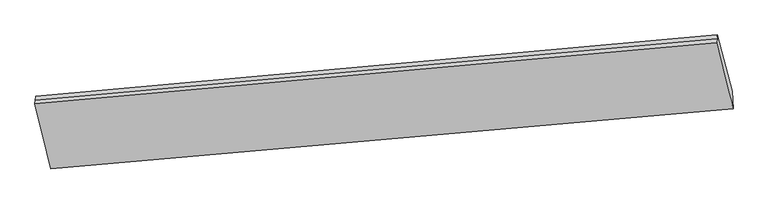
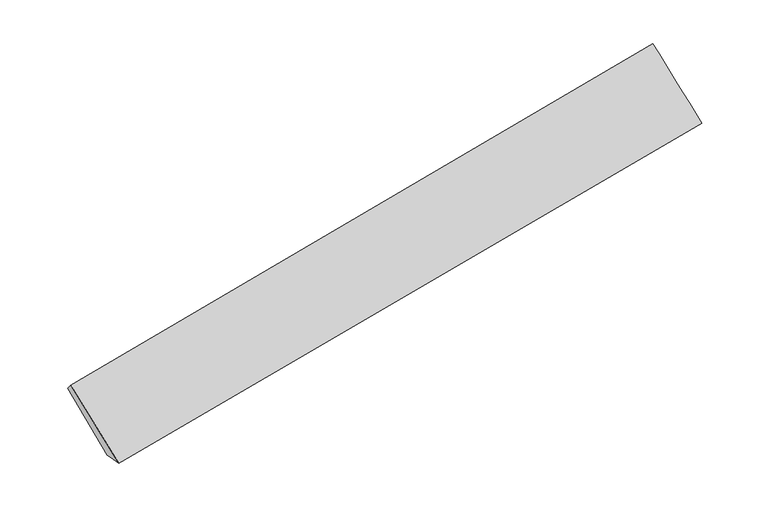
"""IFC4 building model written with IfcOpenShell, lengths in millimetres: proxy geometry."""

import ifcopenshell
import ifcopenshell.guid

model = None  # the IFC model being written
_history = None  # IfcOwnerHistory: only IFC2X3 demands one
_inside = {}  # id of a spatial element -> (the spatial element, [elements in it])
_under = {}  # id of a project, library or spatial element -> (it, [spatial elements below it])
_declared = {}  # id of a project -> (the project, [libraries it declares])
_typed = {}  # id of a type object -> (the type object, [elements of that type])
_made_of = {}  # id of a material, layer set ... -> (it, [elements and type objects made of it])


def new_model(schema):
    """Start an empty IFC model of exactly this schema.

    Asked for "IFC4X3", IfcOpenShell would pick the latest addendum, in which some entities
    have other attributes; the version numbers below select the first issue.
    IFC2X3 requires an IfcOwnerHistory on every rooted entity: one is made here for all.
    """
    global model, _history
    if schema == "IFC4X3":
        model = ifcopenshell.file(schema_version=(4, 3, 0, 0))
    else:
        model = ifcopenshell.file(schema=schema)
    _inside.clear()
    _under.clear()
    _declared.clear()
    _typed.clear()
    _made_of.clear()
    _history = None
    if model.schema == "IFC2X3":
        org = make("IfcOrganization", Name="unknown")
        user = make(
            "IfcPersonAndOrganization",
            ThePerson=make("IfcPerson", FamilyName="unknown"),
            TheOrganization=org,
        )
        app = make(
            "IfcApplication",
            ApplicationDeveloper=org,
            Version="unknown",
            ApplicationFullName="unknown",
            ApplicationIdentifier="unknown",
        )
        _history = make(
            "IfcOwnerHistory",
            OwningUser=user,
            OwningApplication=app,
            ChangeAction="ADDED",
            CreationDate=0,
        )
    return model


def make(cls, **values):
    """One entity of the class cls with the attributes given. An attribute that is None is left unset."""
    return model.create_entity(
        cls, **{name: value for name, value in values.items() if value is not None}
    )


def rooted(cls, **values):
    """An entity with a GlobalId (a new one), such as an element, a storey or a relation."""
    return make(cls, GlobalId=ifcopenshell.guid.new(), OwnerHistory=_history, **values)


def si_unit(unit_type, name, prefix=None):
    """IfcSIUnit, for example si_unit("LENGTHUNIT", "METRE", prefix="MILLI")."""
    return make("IfcSIUnit", UnitType=unit_type, Prefix=prefix, Name=name)


def assignment(units):
    """IfcUnitAssignment: the units of a project."""
    return None if units is None else make("IfcUnitAssignment", Units=units)


def point(xyz):
    """IfcCartesianPoint."""
    return None if xyz is None else make("IfcCartesianPoint", Coordinates=xyz)


def direction(xyz):
    """IfcDirection."""
    return None if xyz is None else make("IfcDirection", DirectionRatios=xyz)


def frame(location, z_axis=None, x_axis=None):
    """IfcAxis2Placement3D, a coordinate frame: its origin and axes. An axis left out is left unset."""
    return make(
        "IfcAxis2Placement3D",
        Location=point(location),
        Axis=direction(z_axis),
        RefDirection=direction(x_axis),
    )


def origin():
    """The frame at (0, 0, 0) with its axes left unset."""
    return frame((0.0, 0.0, 0.0))


def place(relative_to, where):
    """IfcLocalPlacement: puts the frame where relative to a parent placement (None: the world)."""
    return make(
        "IfcLocalPlacement", PlacementRelTo=relative_to, RelativePlacement=where
    )


def context(
    kind, dimensions, precision=None, world=None, true_north=None, identifier=None
):
    """IfcGeometricRepresentationContext, for example the 3D "Model" context."""
    return make(
        "IfcGeometricRepresentationContext",
        ContextIdentifier=identifier,
        ContextType=kind,
        CoordinateSpaceDimension=dimensions,
        Precision=precision,
        WorldCoordinateSystem=world,
        TrueNorth=true_north,
    )


def project(units=None, contexts=None):
    """IfcProject with its units and contexts."""
    return rooted(
        "IfcProject",
        Name="project",
        RepresentationContexts=contexts,
        UnitsInContext=assignment(units),
    )


def spatial(cls, under=None, at=None, **own):
    """A site, building, storey or space (cls), placed at a placement, below another one or the project."""
    s = rooted(cls, ObjectPlacement=at, **own)
    if under is not None:
        _under.setdefault(under.id(), (under, []))[1].append(s)
    return s


def shape(context_of_items, identifier, shape_type, items):
    """IfcShapeRepresentation: the items that make up one representation, for example the "Body"."""
    return make(
        "IfcShapeRepresentation",
        ContextOfItems=context_of_items,
        RepresentationIdentifier=identifier,
        RepresentationType=shape_type,
        Items=items,
    )


def source(mapping_origin, context_of_items, identifier, shape_type, items):
    """IfcRepresentationMap: a shape defined once, which mapped items show again and again."""
    return make(
        "IfcRepresentationMap",
        MappingOrigin=mapping_origin,
        MappedRepresentation=shape(context_of_items, identifier, shape_type, items),
    )


def transform(
    local_origin,
    x_axis=None,
    y_axis=None,
    z_axis=None,
    scale=None,
    scale2=None,
    scale3=None,
    uniform=True,
):
    """IfcCartesianTransformationOperator3D, or its non-uniform kind. x_axis, y_axis, z_axis: its Axis1, 2, 3."""
    if uniform:
        return make(
            "IfcCartesianTransformationOperator3D",
            Axis1=direction(x_axis),
            Axis2=direction(y_axis),
            LocalOrigin=point(local_origin),
            Scale=scale,
            Axis3=direction(z_axis),
        )
    return make(
        "IfcCartesianTransformationOperator3DnonUniform",
        Axis1=direction(x_axis),
        Axis2=direction(y_axis),
        LocalOrigin=point(local_origin),
        Scale=scale,
        Axis3=direction(z_axis),
        Scale2=scale2,
        Scale3=scale3,
    )


def mapped(mapping_source, mapping_target):
    """IfcMappedItem: shows the shape of a source again, moved by a transform."""
    return make(
        "IfcMappedItem", MappingSource=mapping_source, MappingTarget=mapping_target
    )


def made_of(thing, what):
    """Note that an element or type object is made of a material, layer set ...; save() writes the relation."""
    if what is not None:
        _made_of.setdefault(what.id(), (what, []))[1].append(thing)
    return thing


def element(
    cls,
    number,
    at=None,
    inside=None,
    cuts=None,
    type_object=None,
    material=None,
    context=None,
    identifier="Body",
    shape_type=None,
    held_by="IfcProductDefinitionShape",
    body=None,
    shapes=None,
    **own,
):
    """One element of the class cls, such as IfcWall. Its Tag is "e" and its number.

    at: its placement. inside: the storey or other place that contains it. cuts: it is an
    opening in that element (IfcRelVoidsElement). A single representation is given by context,
    identifier, shape_type and body (its items); several are given by shapes. held_by: the class
    of the entity that holds the representations. save() writes the other relations.
    """
    e = rooted(cls, Tag="e%d" % number, ObjectPlacement=at, **own)
    if body is not None:
        shapes = [shape(context, identifier, shape_type, body)]
    if shapes is not None:
        e.Representation = make(held_by, Representations=shapes)
    if inside is not None:
        _inside.setdefault(inside.id(), (inside, []))[1].append(e)
    if cuts is not None:
        rooted(
            "IfcRelVoidsElement", RelatingBuildingElement=cuts, RelatedOpeningElement=e
        )
    if type_object is not None:
        _typed.setdefault(type_object.id(), (type_object, []))[1].append(e)
    return made_of(e, material)


def aggregate(whole, parts):
    """IfcRelAggregates: a whole, such as a stair, and the parts it consists of."""
    return rooted("IfcRelAggregates", RelatingObject=whole, RelatedObjects=parts)


def save(model, path):
    """Write the relations noted so far, then the file.

    IfcRelAggregates (storeys below a building ...), IfcRelContainedInSpatialStructure (elements
    in a storey), IfcRelDefinesByType, IfcRelAssociatesMaterial and IfcRelDeclares: one each for
    every whole, place, type object, material and project.
    """
    for whole, parts in _under.values():
        aggregate(whole, parts)
    for where, things in _inside.values():
        rooted(
            "IfcRelContainedInSpatialStructure",
            RelatedElements=things,
            RelatingStructure=where,
        )
    for kind, things in _typed.values():
        rooted("IfcRelDefinesByType", RelatedObjects=things, RelatingType=kind)
    for what, things in _made_of.values():
        rooted("IfcRelAssociatesMaterial", RelatedObjects=things, RelatingMaterial=what)
    for by, libraries in _declared.values():
        rooted("IfcRelDeclares", RelatingContext=by, RelatedDefinitions=libraries)
    model.write(path)


def plane_surface(at):
    """IfcPlane: the flat surface through the origin of the frame at, square to its z axis."""
    return make("IfcPlane", Position=at)


def spline_surface(u_degree, v_degree, points, u_multiplicities, v_multiplicities, u_knots, v_knots, weights=None):
    """IfcBSplineSurfaceWithKnots; with weights, IfcRationalBSplineSurfaceWithKnots. points: one row for each step in u."""
    own = dict(
        UDegree=u_degree,
        VDegree=v_degree,
        ControlPointsList=[[point(p) for p in row] for row in points],
        SurfaceForm="UNSPECIFIED",
        UClosed=False,
        VClosed=False,
        SelfIntersect=False,
        UMultiplicities=u_multiplicities,
        VMultiplicities=v_multiplicities,
        UKnots=u_knots,
        VKnots=v_knots,
        KnotSpec="UNSPECIFIED",
    )
    if weights is None:
        return make("IfcBSplineSurfaceWithKnots", **own)
    return make("IfcRationalBSplineSurfaceWithKnots", WeightsData=weights, **own)


def advanced_brep(points, edges, surfaces, faces):
    """IfcAdvancedBrep: a solid bounded by faces that lie on surfaces and meet in shared edges.

    An edge is (start, end): straight between two places in points (the first is 0);
    or (start, end, curve); or (start, end, curve, False) where it runs against its curve.
    A face is (place in surfaces, loops), or (place, loops, False) where it looks against
    its surface's normal. A loop lists edges by number (the first is 1), with a minus sign
    where the edge is run from its end to its start. The first loop is the outer one.
    """
    corners = [point(p) for p in points]
    vertices = [make("IfcVertexPoint", VertexGeometry=c) for c in corners]
    made = []
    for start, end, *more in edges:
        made.append(
            make(
                "IfcEdgeCurve",
                EdgeStart=vertices[start],
                EdgeEnd=vertices[end],
                EdgeGeometry=more[0] if more else make("IfcPolyline", Points=[corners[start], corners[end]]),
                SameSense=more[1] if len(more) > 1 else True,
            )
        )
    hull = []
    for where, loops, *sense in faces:
        bounds = []
        for j, loop in enumerate(loops):
            ring = [make("IfcOrientedEdge", EdgeElement=made[abs(k) - 1], Orientation=k > 0) for k in loop]
            bounds.append(
                make(
                    "IfcFaceOuterBound" if j == 0 else "IfcFaceBound",
                    Bound=make("IfcEdgeLoop", EdgeList=ring),
                    Orientation=True,
                )
            )
        hull.append(make("IfcAdvancedFace", Bounds=bounds, FaceSurface=surfaces[where], SameSense=sense[0] if sense else True))
    return make("IfcAdvancedBrep", Outer=make("IfcClosedShell", CfsFaces=hull))


def generic_models_8e09ea45(model_context):
    return source(origin(), model_context, "Body", "AdvancedBrep", [
        advanced_brep(
        [(-8466.3159987, -2234.1427779, 504.7466101), (-8697.0605612, -1353.9977934, 1373.9689171), (2684.4364436, -327.6674434, 3451.1421138), (2929.0390248, -1270.8837633, 2565.2348139), (-8455.7683882, -2397.2281299, 522.8347435), (2937.0246521, -1413.9959909, 2590.2673576), (-8445.2207778, -2560.313482, 540.9228769), (2945.0102794, -1557.1082184, 2615.2999014), (-8710.9348271, -1479.7268245, 1510.316544), (2669.5975179, -462.1382514, 3596.9698148), (-8703.9976941, -1416.862309, 1442.1427305), (2677.0169807, -394.9028474, 3524.0559643)],
        [
            (0, 1),
            (1, 2),
            (2, 3),
            (3, 0),
            (4, 0),
            (3, 5),
            (5, 4),
            (6, 4),
            (5, 7),
            (7, 6),
            (8, 6),
            (7, 9),
            (9, 8),
            (10, 8),
            (9, 11),
            (11, 10),
            (1, 10),
            (11, 2),
        ],
        [
            spline_surface(1, 1, [[(-8466.3159987, -2234.1427779, 504.7466101), (2929.0390248, -1270.8837633, 2565.2348139)], [(-8697.0605612, -1353.9977934, 1373.9689171), (2684.4364436, -327.6674434, 3451.1421138)]], [2, 2], [2, 2], [0.0, 1.0], [0.0, 1.0]),
            spline_surface(1, 1, [[(-8455.7683882, -2397.2281299, 522.8347435), (2937.0246521, -1413.9959909, 2590.2673576)], [(-8466.3159987, -2234.1427779, 504.7466101), (2929.0390248, -1270.8837633, 2565.2348139)]], [2, 2], [2, 2], [0.0, 1.0], [0.0, 1.0]),
            spline_surface(1, 1, [[(-8445.2207778, -2560.313482, 540.9228769), (2945.0102794, -1557.1082184, 2615.2999014)], [(-8455.7683882, -2397.2281299, 522.8347435), (2937.0246521, -1413.9959909, 2590.2673576)]], [2, 2], [2, 2], [0.0, 1.0], [0.0, 1.0]),
            spline_surface(1, 1, [[(-8710.9348271, -1479.7268245, 1510.316544), (2669.5975179, -462.1382514, 3596.9698148)], [(-8445.2207778, -2560.313482, 540.9228769), (2945.0102794, -1557.1082184, 2615.2999014)]], [2, 2], [2, 2], [0.0, 1.0], [0.0, 1.0]),
            plane_surface(frame((-8707.4662606, -1448.2945667, 1476.2296373), z_axis=(-0.18567531753398725, 0.731713771650795, 0.6558350652681064), x_axis=(-0.07459826177757439, -0.6760117768902936, 0.7331051608366924))),
            plane_surface(frame((-8700.5291276, -1385.4300512, 1408.0558238), z_axis=(-0.1856753175339873, 0.7317137716507951, 0.6558350652681065), x_axis=(-0.07459826177757439, -0.6760117768902936, 0.7331051608366924))),
            plane_surface(frame((2807.0208164, -904.4494191, 3057.161661), z_axis=(0.9800763391856437, 0.08600407942693948, 0.17903538111332007), x_axis=(0.1840800605935416, -0.7318547504986936, -0.6561273927099622))),
            plane_surface(frame((-8579.8830412, -1907.0452195, 982.488737), z_axis=(-0.9808252429753986, -0.08299293895621165, -0.17633495066395957), x_axis=(0.18337067888868333, -0.6994434953005294, -0.6907633393613776))),
        ],
        [
            (0, [[1, 2, 3, 4]]),
            (1, [[5, -4, 6, 7]]),
            (2, [[8, -7, 9, 10]]),
            (3, [[11, -10, 12, 13]]),
            (4, [[14, -13, 15, 16]]),
            (5, [[17, -16, 18, -2]]),
            (6, [[-12, -9, -6, -3, -18, -15]]),
            (7, [[-1, -5, -8, -11, -14, -17]]),
        ],
    ),
    ])


if __name__ == "__main__":
    model = new_model("IFC4")
    model_context = context("Model", 3, world=origin())
    ifc_project = project(units=[si_unit("LENGTHUNIT", "METRE", prefix="MILLI")], contexts=[model_context])
    site = spatial("IfcSite", under=ifc_project)
    building = spatial("IfcBuilding", under=site)
    placement = place(None, origin())
    generic_models_shape = generic_models_8e09ea45(model_context)
    element("IfcBuildingElementProxy", 1, Name="Generic Models", at=placement, inside=building, context=model_context, shape_type="MappedRepresentation", body=[
        mapped(generic_models_shape, transform((0.0, 0.0, 0.0), x_axis=(1.0, 0.0, 0.0), y_axis=(0.0, 1.0, 0.0), z_axis=(0.0, 0.0, 1.0))),
    ])
    save(model, "model.ifc")
